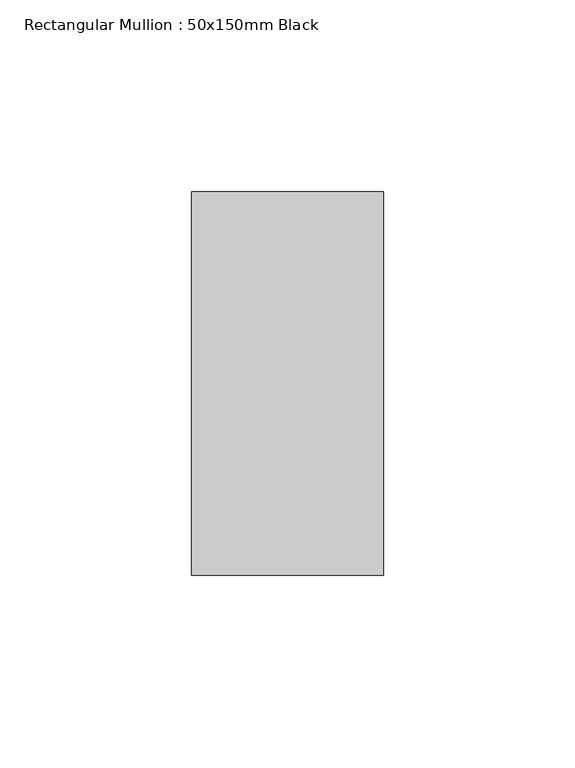
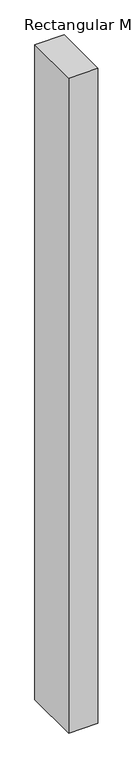
"""IFC4 building model written with IfcOpenShell, lengths in millimetres: member geometry, Rectangular Mullion : 50x150mm Black."""

from ifc_helpers import new_model, si_unit, frame, origin, place, context, project, spatial, polyline, outline, extrude, source, transform, mapped, element, save


def rectangular_mullion_50x150mm_black_6cb5caaa(model_context):
    return source(origin(), model_context, "Body", "SweptSolid", [
        extrude(outline(polyline([(0.0, 50.0), (0.0, -50.0), (-50.0, -50.0), (-50.0, 50.0), (0.0, 50.0)])), frame((0.0, 0.0, -1184.9999997), z_axis=(0.0, 0.0, 1.0), x_axis=(1.0, 0.0, 0.0)), (0.0, 0.0, 1.0), 1184.9999997),
    ])


if __name__ == "__main__":
    model = new_model("IFC4")
    model_context = context("Model", 3, world=origin())
    ifc_project = project(units=[si_unit("LENGTHUNIT", "METRE", prefix="MILLI")], contexts=[model_context])
    site = spatial("IfcSite", under=ifc_project)
    building = spatial("IfcBuilding", under=site)
    placement = place(None, origin())
    rectangular_mullion_50x150mm_black_shape = rectangular_mullion_50x150mm_black_6cb5caaa(model_context)
    element("IfcMember", 1, ObjectType="Rectangular Mullion : 50x150mm Black", at=placement, inside=building, context=model_context, shape_type="MappedRepresentation", body=[
        mapped(rectangular_mullion_50x150mm_black_shape, transform((0.0, 0.0, 0.0), x_axis=(1.0, 0.0, 0.0), y_axis=(0.0, 1.0, 0.0), z_axis=(0.0, 0.0, 1.0))),
    ])
    save(model, "model.ifc")
